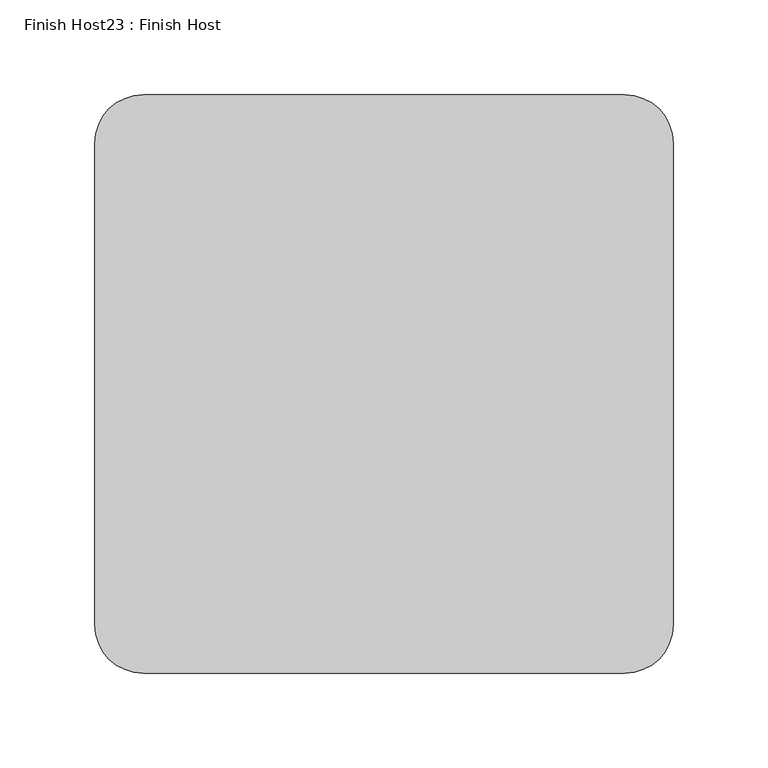
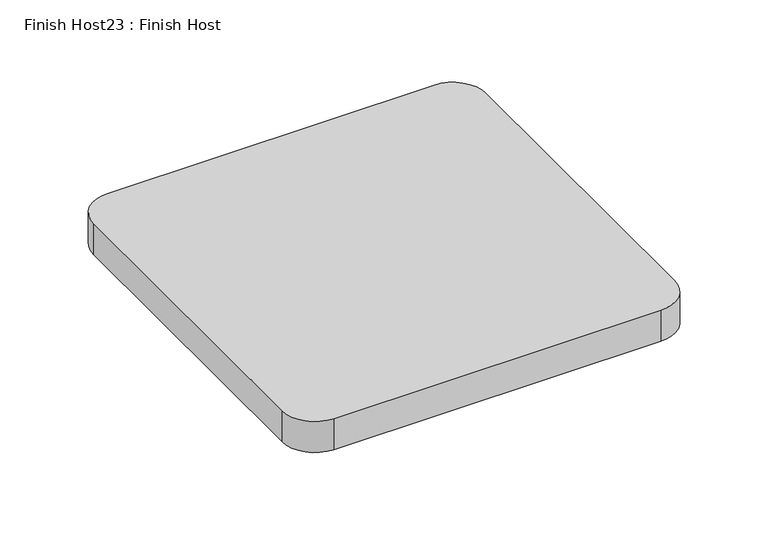
"""IFC4 building model written with IfcOpenShell, lengths in millimetres: proxy geometry, Finish Host23 : Finish Host."""

from ifc_helpers import new_model, si_unit, point, frame_2d, origin, origin_with_axes, place, context, project, spatial, polyline, circle_curve, trimmed, segment, composite_curve, outline, extrude, source, transform, mapped, element, save


def finish_host23_finish_host_aa634049(model_context):
    return source(origin(), model_context, "Body", "SweptSolid", [
        extrude(outline(composite_curve([segment(polyline([(2130.8934426, 1867.2122951), (2130.8934426, 2121.2122951)]), True, "CONTINUOUS"), segment(trimmed(circle_curve(frame_2d((2156.2934426, 2121.2122951)), 25.4), [point((2130.8934426, 2121.2122951))], [point((2156.2934426, 2146.6122951))], False, "CARTESIAN"), True, "CONTINUOUS"), segment(polyline([(2156.2934426, 2146.6122951), (2410.2934426, 2146.6122951)]), True, "CONTINUOUS"), segment(trimmed(circle_curve(frame_2d((2410.2934426, 2121.2122951)), 25.4), [point((2410.2934426, 2146.6122951))], [point((2435.6934426, 2121.2122951))], False, "CARTESIAN"), True, "CONTINUOUS"), segment(polyline([(2435.6934426, 2121.2122951), (2435.6934426, 1867.2122951)]), True, "CONTINUOUS"), segment(trimmed(circle_curve(frame_2d((2410.2934426, 1867.2122951)), 25.4), [point((2435.6934426, 1867.2122951))], [point((2410.2934426, 1841.8122951))], False, "CARTESIAN"), True, "CONTINUOUS"), segment(polyline([(2410.2934426, 1841.8122951), (2156.2934426, 1841.8122951)]), True, "CONTINUOUS"), segment(trimmed(circle_curve(frame_2d((2156.2934426, 1867.2122951)), 25.4), [point((2156.2934426, 1841.8122951))], [point((2130.8934426, 1867.2122951))], False, "CARTESIAN"), True, "CONTINUOUS")], self_intersect=False)), origin_with_axes(), (0.0, 0.0, 1.0), 25.4),
    ])


if __name__ == "__main__":
    model = new_model("IFC4")
    model_context = context("Model", 3, world=origin())
    ifc_project = project(units=[si_unit("LENGTHUNIT", "METRE", prefix="MILLI")], contexts=[model_context])
    site = spatial("IfcSite", under=ifc_project)
    building = spatial("IfcBuilding", under=site)
    placement = place(None, origin())
    finish_host23_finish_host_shape = finish_host23_finish_host_aa634049(model_context)
    element("IfcBuildingElementProxy", 1, Name="Finish Host23 : Finish Host", ObjectType="Finish Host23 : Finish Host", at=placement, inside=building, context=model_context, shape_type="MappedRepresentation", body=[
        mapped(finish_host23_finish_host_shape, transform((0.0, 0.0, 0.0), x_axis=(1.0, 0.0, 0.0), y_axis=(0.0, 1.0, 0.0), z_axis=(0.0, 0.0, 1.0))),
    ])
    save(model, "model.ifc")
